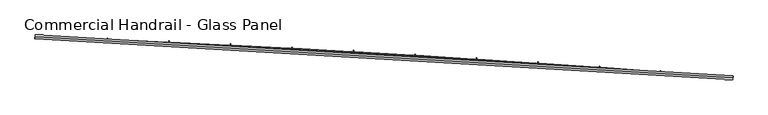
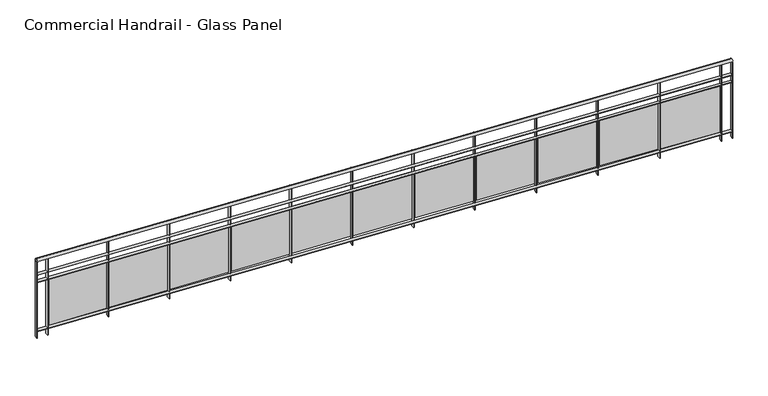
"""IFC4 building model written with IfcOpenShell, lengths in millimetres: railing geometry, Commercial Handrail - Glass Panel."""

from ifc_helpers import new_model, si_unit, point, frame, origin, place, context, project, spatial, polyline, circle_curve, ellipse_curve, trimmed, outline, extrude, source, transform, mapped, element, save
from ifc_brep_helpers import plane_surface, cylinder_surface, revolved_surface, advanced_brep


def commercial_handrail_glass_panel_b6d9658e(model_context):
    return source(origin(), model_context, "Body", "SolidModel", [
        advanced_brep(
        [(118318.4035087, -32849.2717188, 9482.5), (127382.7214131, -33380.8122629, 9482.5), (127382.7214131, -33380.8122629, 9517.5), (118318.4035087, -32849.2717188, 9517.5)],
        [
            (0, 1, circle_curve(frame((108840.1585672, -272033.3263712, 9482.5), z_axis=(0.0, 0.0, -1.0), x_axis=(0.07746344550314502, 0.9969951928724538, 0.0)), 239371.7801395)),
            (1, 2, ellipse_curve(frame((127382.7214131, -33380.8122629, 9500.0), z_axis=(-0.9969951928724544, 0.07746344550313862, 0.0), x_axis=(0.0774634455031386, 0.9969951928724542, 0.0)), 25.0, 17.5)),
            (2, 3, circle_curve(frame((108840.1585672, -272033.3263712, 9517.5), z_axis=(0.0, 0.0, 1.0), x_axis=(0.07746344550314502, 0.9969951928724538, 0.0)), 239371.7801395)),
            (3, 0, ellipse_curve(frame((118318.4035087, -32849.2717188, 9500.0), z_axis=(0.9992157576513465, -0.03959633393694334, 0.0), x_axis=(0.03959633393694333, 0.9992157576513463, 0.0)), 25.0, 17.5)),
            (2, 1, ellipse_curve(frame((127382.7214131, -33380.8122629, 9500.0), z_axis=(-0.9969951928724544, 0.07746344550313862, 0.0), x_axis=(0.0774634455031386, 0.9969951928724542, 0.0)), 25.0, 17.5)),
            (0, 3, ellipse_curve(frame((118318.4035087, -32849.2717188, 9500.0), z_axis=(0.9992157576513465, -0.03959633393694334, 0.0), x_axis=(0.03959633393694333, 0.9992157576513463, 0.0)), 25.0, 17.5)),
        ],
        [
            revolved_surface(trimmed(ellipse_curve(frame((127382.7214131, -33380.8122629, 9500.0), z_axis=(0.9969951928724538, -0.07746344550314502, 0.0), x_axis=(0.0, 0.0, -1.0)), 17.5, 25.0), [point((127382.7214131, -33380.8122629, 9517.5))], [point((127382.7214131, -33380.8122629, 9482.5))], True, "CARTESIAN"), (108840.1585672, -272033.3263712, 9500.0), (0.0, 0.0, 1.0)),
            revolved_surface(trimmed(ellipse_curve(frame((127382.7214131, -33380.8122629, 9500.0), z_axis=(0.9969951928724538, -0.07746344550314502, 0.0), x_axis=(0.0, 0.0, -1.0)), 17.5, 25.0), [point((127382.7214131, -33380.8122629, 9482.5))], [point((127382.7214131, -33380.8122629, 9517.5))], True, "CARTESIAN"), (108840.1585672, -272033.3263712, 9500.0), (0.0, 0.0, 1.0)),
            plane_surface(frame((127382.7214131, -33380.8122629, 9500.0), z_axis=(0.9969951928724538, -0.07746344550314502, 0.0), x_axis=(0.07746344550314502, 0.9969951928724538, 0.0))),
            plane_surface(frame((118318.4035087, -32849.2717188, 9500.0), z_axis=(-0.9992157576513464, 0.03959633393694337, 0.0), x_axis=(0.03959633393694337, 0.9992157576513464, 0.0))),
        ],
        [
            (0, [[1, 2, 3, 4]]),
            (1, [[-3, 5, -1, 6]]),
            (2, [[-2, -5]]),
            (3, [[-6, -4]]),
        ],
    ),
        advanced_brep(
        [(118317.5125912, -32871.7540734, 9300.0), (127380.9784855, -33403.2446547, 9300.0), (127384.4643406, -33358.379871, 9300.0), (118319.2944262, -32826.7893643, 9300.0), (118317.5125912, -32871.7540734, 9294.0), (127380.9784855, -33403.2446547, 9294.0), (118319.2944262, -32826.7893643, 9294.0), (127384.4643406, -33358.379871, 9294.0)],
        [
            (0, 1, circle_curve(frame((108840.1585672, -272033.3263712, 9300.0), z_axis=(0.0, 0.0, -1.0), x_axis=(0.07746344550314502, 0.9969951928724538, 0.0)), 239349.2801395)),
            (1, 2),
            (2, 3, circle_curve(frame((108840.1585672, -272033.3263712, 9300.0), z_axis=(0.0, 0.0, 1.0), x_axis=(0.07746344550314502, 0.9969951928724538, 0.0)), 239394.2801395)),
            (3, 0),
            (4, 5, circle_curve(frame((108840.1585672, -272033.3263712, 9294.0), z_axis=(0.0, 0.0, -1.0), x_axis=(0.07746344550314502, 0.9969951928724538, 0.0)), 239349.2801395)),
            (5, 1),
            (0, 4),
            (6, 7, circle_curve(frame((108840.1585672, -272033.3263712, 9294.0), z_axis=(0.0, 0.0, -1.0), x_axis=(0.07746344550314502, 0.9969951928724538, 0.0)), 239394.2801395)),
            (7, 5),
            (4, 6),
            (2, 7),
            (6, 3),
        ],
        [
            plane_surface(frame((108840.1585672, -272033.3263712, 9300.0), z_axis=(0.0, 0.0, 1.0), x_axis=(0.07746344550314502, 0.9969951928724538, 0.0))),
            revolved_surface(polyline([(127380.97848550315, -33403.24465463619, 9300.0), (127380.97848550315, -33403.24465463619, 9294.0)]), (108840.1585672, -272033.3263712, 9300.0), (0.0, 0.0, 1.0)),
            plane_surface(frame((108840.1585672, -272033.3263712, 9294.0), z_axis=(0.0, 0.0, -1.0), x_axis=(0.07746344550314502, 0.9969951928724538, 0.0))),
            cylinder_surface(frame((108840.1585672, -272033.3263712, 9300.0), z_axis=(0.0, 0.0, 1.0), x_axis=(0.07746344550314502, 0.9969951928724538, 0.0)), 239394.2801395),
            plane_surface(frame((127382.7214131, -33380.8122629, 9300.0), z_axis=(0.9969951928724538, -0.07746344550314502, 0.0), x_axis=(0.07746344550314502, 0.9969951928724538, 0.0))),
            plane_surface(frame((118318.4035087, -32849.2717188, 9300.0), z_axis=(-0.9992157576513464, 0.03959633393694337, 0.0), x_axis=(0.03959633393694337, 0.9992157576513464, 0.0))),
        ],
        [
            (0, [[1, 2, 3, 4]]),
            (1, [[5, 6, -1, 7]]),
            (2, [[8, 9, -5, 10]]),
            (3, [[-3, 11, -8, 12]]),
            (4, [[-2, -6, -9, -11]]),
            (5, [[-12, -10, -7, -4]]),
        ],
    ),
        advanced_brep(
        [(118317.5125912, -32871.7540734, 9200.0), (127380.9784855, -33403.2446547, 9200.0), (127384.4643406, -33358.379871, 9200.0), (118319.2944262, -32826.7893643, 9200.0), (118317.5125912, -32871.7540734, 9194.0), (127380.9784855, -33403.2446547, 9194.0), (118319.2944262, -32826.7893643, 9194.0), (127384.4643406, -33358.379871, 9194.0)],
        [
            (0, 1, circle_curve(frame((108840.1585672, -272033.3263712, 9200.0), z_axis=(0.0, 0.0, -1.0), x_axis=(0.07746344550314502, 0.9969951928724538, 0.0)), 239349.2801395)),
            (1, 2),
            (2, 3, circle_curve(frame((108840.1585672, -272033.3263712, 9200.0), z_axis=(0.0, 0.0, 1.0), x_axis=(0.07746344550314502, 0.9969951928724538, 0.0)), 239394.2801395)),
            (3, 0),
            (4, 5, circle_curve(frame((108840.1585672, -272033.3263712, 9194.0), z_axis=(0.0, 0.0, -1.0), x_axis=(0.07746344550314502, 0.9969951928724538, 0.0)), 239349.2801395)),
            (5, 1),
            (0, 4),
            (6, 7, circle_curve(frame((108840.1585672, -272033.3263712, 9194.0), z_axis=(0.0, 0.0, -1.0), x_axis=(0.07746344550314502, 0.9969951928724538, 0.0)), 239394.2801395)),
            (7, 5),
            (4, 6),
            (2, 7),
            (6, 3),
        ],
        [
            plane_surface(frame((108840.1585672, -272033.3263712, 9200.0), z_axis=(0.0, 0.0, 1.0), x_axis=(0.07746344550314502, 0.9969951928724538, 0.0))),
            revolved_surface(polyline([(127380.97848550315, -33403.24465463619, 9200.0), (127380.97848550315, -33403.24465463619, 9194.0)]), (108840.1585672, -272033.3263712, 9200.0), (0.0, 0.0, 1.0)),
            plane_surface(frame((108840.1585672, -272033.3263712, 9194.0), z_axis=(0.0, 0.0, -1.0), x_axis=(0.07746344550314502, 0.9969951928724538, 0.0))),
            cylinder_surface(frame((108840.1585672, -272033.3263712, 9200.0), z_axis=(0.0, 0.0, 1.0), x_axis=(0.07746344550314502, 0.9969951928724538, 0.0)), 239394.2801395),
            plane_surface(frame((127382.7214131, -33380.8122629, 9200.0), z_axis=(0.9969951928724538, -0.07746344550314502, 0.0), x_axis=(0.07746344550314502, 0.9969951928724538, 0.0))),
            plane_surface(frame((118318.4035087, -32849.2717188, 9200.0), z_axis=(-0.9992157576513464, 0.03959633393694337, 0.0), x_axis=(0.03959633393694337, 0.9992157576513464, 0.0))),
        ],
        [
            (0, [[1, 2, 3, 4]]),
            (1, [[5, 6, -1, 7]]),
            (2, [[8, 9, -5, 10]]),
            (3, [[-3, 11, -8, 12]]),
            (4, [[-2, -6, -9, -11]]),
            (5, [[-12, -10, -7, -4]]),
        ],
    ),
        advanced_brep(
        [(118317.5125912, -32871.7540734, 8500.0), (127380.9784855, -33403.2446547, 8500.0), (127384.4643406, -33358.379871, 8500.0), (118319.2944262, -32826.7893643, 8500.0), (118317.5125912, -32871.7540734, 8494.0), (127380.9784855, -33403.2446547, 8494.0), (118319.2944262, -32826.7893643, 8494.0), (127384.4643406, -33358.379871, 8494.0)],
        [
            (0, 1, circle_curve(frame((108840.1585672, -272033.3263712, 8500.0), z_axis=(0.0, 0.0, -1.0), x_axis=(0.07746344550314502, 0.9969951928724538, 0.0)), 239349.2801395)),
            (1, 2),
            (2, 3, circle_curve(frame((108840.1585672, -272033.3263712, 8500.0), z_axis=(0.0, 0.0, 1.0), x_axis=(0.07746344550314502, 0.9969951928724538, 0.0)), 239394.2801395)),
            (3, 0),
            (4, 5, circle_curve(frame((108840.1585672, -272033.3263712, 8494.0), z_axis=(0.0, 0.0, -1.0), x_axis=(0.07746344550314502, 0.9969951928724538, 0.0)), 239349.2801395)),
            (5, 1),
            (0, 4),
            (6, 7, circle_curve(frame((108840.1585672, -272033.3263712, 8494.0), z_axis=(0.0, 0.0, -1.0), x_axis=(0.07746344550314502, 0.9969951928724538, 0.0)), 239394.2801395)),
            (7, 5),
            (4, 6),
            (2, 7),
            (6, 3),
        ],
        [
            plane_surface(frame((108840.1585672, -272033.3263712, 8500.0), z_axis=(0.0, 0.0, 1.0), x_axis=(0.07746344550314502, 0.9969951928724538, 0.0))),
            revolved_surface(polyline([(127380.97848550315, -33403.24465463619, 8500.0), (127380.97848550315, -33403.24465463619, 8494.0)]), (108840.1585672, -272033.3263712, 8500.0), (0.0, 0.0, 1.0)),
            plane_surface(frame((108840.1585672, -272033.3263712, 8494.0), z_axis=(0.0, 0.0, -1.0), x_axis=(0.07746344550314502, 0.9969951928724538, 0.0))),
            cylinder_surface(frame((108840.1585672, -272033.3263712, 8500.0), z_axis=(0.0, 0.0, 1.0), x_axis=(0.07746344550314502, 0.9969951928724538, 0.0)), 239394.2801395),
            plane_surface(frame((127382.7214131, -33380.8122629, 8500.0), z_axis=(0.9969951928724538, -0.07746344550314502, 0.0), x_axis=(0.07746344550314502, 0.9969951928724538, 0.0))),
            plane_surface(frame((118318.4035087, -32849.2717188, 8500.0), z_axis=(-0.9992157576513464, 0.03959633393694337, 0.0), x_axis=(0.03959633393694337, 0.9992157576513464, 0.0))),
        ],
        [
            (0, [[1, 2, 3, 4]]),
            (1, [[5, 6, -1, 7]]),
            (2, [[8, 9, -5, 10]]),
            (3, [[-3, 11, -8, 12]]),
            (4, [[-2, -6, -9, -11]]),
            (5, [[-12, -10, -7, -4]]),
        ],
    ),
        extrude(outline(polyline([(118462.4105775, -32832.5035492), (118460.6024038, -32877.4672068), (118454.6072494, -32877.226117), (118456.4154232, -32832.2624594), (118462.4105775, -32832.5035492)])), frame((0.0, 0.0, 8400.0), z_axis=(0.0, 0.0, 1.0), x_axis=(1.0, 0.0, 0.0)), (0.0, 0.0, 1.0), 1082.1192282),
        extrude(outline(polyline([(119237.5882112, -32893.169646), (118478.2540839, -32861.3626786), (118478.7562992, -32849.3731924), (119238.0904265, -32881.1801598), (119237.5882112, -32893.169646)])), frame((0.0, 0.0, 8520.0), z_axis=(0.0, 0.0, 1.0), x_axis=(1.0, 0.0, 0.0)), (0.0, 0.0, 1.0), 660.0),
        extrude(outline(polyline([(119261.7839982, -32865.9977164), (119259.8255626, -32910.9550799), (119253.8312475, -32910.6939552), (119255.789683, -32865.7365917), (119261.7839982, -32865.9977164)])), frame((0.0, 0.0, 8400.0), z_axis=(0.0, 0.0, 1.0), x_axis=(1.0, 0.0, 0.0)), (0.0, 0.0, 1.0), 1082.1192282),
        extrude(outline(polyline([(120036.754552, -32929.2541764), (119277.5309667, -32894.9096349), (119278.0732489, -32882.9218941), (120037.2968342, -32917.2664356), (120036.754552, -32929.2541764)])), frame((0.0, 0.0, 8520.0), z_axis=(0.0, 0.0, 1.0), x_axis=(1.0, 0.0, 0.0)), (0.0, 0.0, 1.0), 660.0),
        extrude(outline(polyline([(120061.0410145, -32902.1632628), (120058.932339, -32947.1138299), (120052.93893, -32946.8326732), (120055.0476055, -32901.8821061), (120061.0410145, -32902.1632628)])), frame((0.0, 0.0, 8400.0), z_axis=(0.0, 0.0, 1.0), x_axis=(1.0, 0.0, 0.0)), (0.0, 0.0, 1.0), 1082.1192282),
        extrude(outline(polyline([(120835.7958324, -32968.0093795), (120076.6912693, -32931.1276473), (120077.2736124, -32919.1417858), (120836.3781756, -32956.0235179), (120835.7958324, -32968.0093795)])), frame((0.0, 0.0, 8520.0), z_axis=(0.0, 0.0, 1.0), x_axis=(1.0, 0.0, 0.0)), (0.0, 0.0, 1.0), 660.0),
        extrude(outline(polyline([(120860.1726992, -32940.9997843), (120857.9138072, -32985.943053), (120851.9213714, -32985.6418675), (120854.1802633, -32940.6985987), (120860.1726992, -32940.9997843)])), frame((0.0, 0.0, 8400.0), z_axis=(0.0, 0.0, 1.0), x_axis=(1.0, 0.0, 0.0)), (0.0, 0.0, 1.0), 1082.1192282),
        extrude(outline(polyline([(121634.7031276, -33009.4348222), (120875.7260654, -32970.0163114), (120876.3484629, -32958.032463), (121635.3255252, -32997.4509738), (121634.7031276, -33009.4348222)])), frame((0.0, 0.0, 8520.0), z_axis=(0.0, 0.0, 1.0), x_axis=(1.0, 0.0, 0.0)), (0.0, 0.0, 1.0), 660.0),
        extrude(outline(polyline([(121659.1701263, -32982.5068471), (121656.7610432, -33027.4423155), (121650.7696474, -33027.1211044), (121653.1787305, -32982.1856361), (121659.1701263, -32982.5068471)])), frame((0.0, 0.0, 8400.0), z_axis=(0.0, 0.0, 1.0), x_axis=(1.0, 0.0, 0.0)), (0.0, 0.0, 1.0), 1082.1192282),
        extrude(outline(polyline([(122433.4675142, -33053.5300418), (121674.6264303, -33011.5751927), (121675.2888752, -32999.5934914), (122434.1299592, -33041.5483405), (122433.4675142, -33053.5300418)])), frame((0.0, 0.0, 8520.0), z_axis=(0.0, 0.0, 1.0), x_axis=(1.0, 0.0, 0.0)), (0.0, 0.0, 1.0), 660.0),
        extrude(outline(polyline([(122458.0243716, -33026.6839877), (122455.4651242, -33071.6111538), (122449.4748354, -33071.2699209), (122452.0340827, -33026.3427548), (122458.0243716, -33026.6839877)])), frame((0.0, 0.0, 8400.0), z_axis=(0.0, 0.0, 1.0), x_axis=(1.0, 0.0, 0.0)), (0.0, 0.0, 1.0), 1082.1192282),
        extrude(outline(polyline([(123232.0800703, -33100.2945459), (122473.3834406, -33055.8038271), (122474.0859256, -33043.8244066), (123232.7825553, -33088.3151255), (123232.0800703, -33100.2945459)])), frame((0.0, 0.0, 8520.0), z_axis=(0.0, 0.0, 1.0), x_axis=(1.0, 0.0, 0.0)), (0.0, 0.0, 1.0), 660.0),
        extrude(outline(polyline([(123256.726512, -33073.5307127), (123254.017129, -33118.4490746), (123248.0280141, -33118.0878236), (123250.7373971, -33073.1694616), (123256.726512, -33073.5307127)])), frame((0.0, 0.0, 8400.0), z_axis=(0.0, 0.0, 1.0), x_axis=(1.0, 0.0, 0.0)), (0.0, 0.0, 1.0), 1082.1192282),
        extrude(outline(polyline([(124030.5318758, -33149.7278122), (123271.9881746, -33102.7017206), (123272.7306918, -33090.7247148), (124031.2743931, -33137.7508064), (124030.5318758, -33149.7278122)])), frame((0.0, 0.0, 8520.0), z_axis=(0.0, 0.0, 1.0), x_axis=(1.0, 0.0, 0.0)), (0.0, 0.0, 1.0), 660.0),
        extrude(outline(polyline([(124055.2676267, -33123.0464986), (124052.4081383, -33167.9555548), (124046.4202641, -33167.5742897), (124049.2797526, -33122.6652335), (124055.2676267, -33123.0464986)])), frame((0.0, 0.0, 8400.0), z_axis=(0.0, 0.0, 1.0), x_axis=(1.0, 0.0, 0.0)), (0.0, 0.0, 1.0), 1082.1192282),
        extrude(outline(polyline([(124828.8140126, -33201.8292884), (124070.4317123, -33152.2683493), (124071.2142535, -33140.2938919), (124829.5965537, -33189.854831), (124828.8140126, -33201.8292884)])), frame((0.0, 0.0, 8520.0), z_axis=(0.0, 0.0, 1.0), x_axis=(1.0, 0.0, 0.0)), (0.0, 0.0, 1.0), 660.0),
        extrude(outline(polyline([(124853.6387962, -33175.2307926), (124850.6292343, -33220.1300413), (124844.6426678, -33219.7287664), (124847.6522297, -33174.8295177), (124853.6387962, -33175.2307926)])), frame((0.0, 0.0, 8400.0), z_axis=(0.0, 0.0, 1.0), x_axis=(1.0, 0.0, 0.0)), (0.0, 0.0, 1.0), 1082.1192282),
        extrude(outline(polyline([(125626.917564, -33256.5983926), (124868.7051355, -33204.5031595), (124869.5276919, -33192.5313844), (125627.7401203, -33244.6266175), (125626.917564, -33256.5983926)])), frame((0.0, 0.0, 8520.0), z_axis=(0.0, 0.0, 1.0), x_axis=(1.0, 0.0, 0.0)), (0.0, 0.0, 1.0), 660.0),
        extrude(outline(polyline([(125651.8311032, -33230.0830117), (125648.6715014, -33274.9719515), (125642.6863095, -33274.5506713), (125645.8459113, -33229.6617315), (125651.8311032, -33230.0830117)])), frame((0.0, 0.0, 8400.0), z_axis=(0.0, 0.0, 1.0), x_axis=(1.0, 0.0, 0.0)), (0.0, 0.0, 1.0), 1082.1192282),
        extrude(outline(polyline([(126424.8336158, -33314.0345132), (125666.7995279, -33259.405568), (125667.6620902, -33247.4366087), (126425.6961781, -33302.0655539), (126424.8336158, -33314.0345132)])), frame((0.0, 0.0, 8520.0), z_axis=(0.0, 0.0, 1.0), x_axis=(1.0, 0.0, 0.0)), (0.0, 0.0, 1.0), 660.0),
        extrude(outline(polyline([(126449.8356323, -33287.6025432), (126446.5260259, -33332.4806727), (126440.5422753, -33332.0393919), (126443.8518817, -33287.1612624), (126449.8356323, -33287.6025432)])), frame((0.0, 0.0, 8400.0), z_axis=(0.0, 0.0, 1.0), x_axis=(1.0, 0.0, 0.0)), (0.0, 0.0, 1.0), 1082.1192282),
        extrude(outline(polyline([(127222.5532556, -33374.1370085), (126464.7059752, -33316.9749614), (126465.6085338, -33305.0089517), (127223.4558142, -33362.1709988), (127222.5532556, -33374.1370085)])), frame((0.0, 0.0, 8520.0), z_axis=(0.0, 0.0, 1.0), x_axis=(1.0, 0.0, 0.0)), (0.0, 0.0, 1.0), 660.0),
        extrude(outline(polyline([(127247.64347, -33347.7887447), (127244.1838961, -33392.6555626), (127238.2016537, -33392.1942861), (127241.6612277, -33347.3274682), (127247.64347, -33347.7887447)])), frame((0.0, 0.0, 8400.0), z_axis=(0.0, 0.0, 1.0), x_axis=(1.0, 0.0, 0.0)), (0.0, 0.0, 1.0), 1082.1192282),
        extrude(outline(polyline([(118322.2920735, -32826.9081533), (118320.5102385, -32871.8728624), (118314.5149439, -32871.6352844), (118316.296779, -32826.6705753), (118322.2920735, -32826.9081533)])), frame((0.0, 0.0, 8400.0), z_axis=(0.0, 0.0, 1.0), x_axis=(1.0, 0.0, 0.0)), (0.0, 0.0, 1.0), 1082.1192282),
        extrude(outline(polyline([(127387.4553262, -33358.6122614), (127383.9694711, -33403.477045), (127377.9875, -33403.0122644), (127381.473355, -33358.1474807), (127387.4553262, -33358.6122614)])), frame((0.0, 0.0, 8400.0), z_axis=(0.0, 0.0, 1.0), x_axis=(1.0, 0.0, 0.0)), (0.0, 0.0, 1.0), 1082.1192282),
    ])


if __name__ == "__main__":
    model = new_model("IFC4")
    model_context = context("Model", 3, world=origin())
    ifc_project = project(units=[si_unit("LENGTHUNIT", "METRE", prefix="MILLI")], contexts=[model_context])
    site = spatial("IfcSite", under=ifc_project)
    building = spatial("IfcBuilding", under=site)
    placement = place(None, origin())
    commercial_handrail_glass_panel_shape = commercial_handrail_glass_panel_b6d9658e(model_context)
    element("IfcRailing", 1, ObjectType="Commercial Handrail - Glass Panel", at=placement, inside=building, context=model_context, shape_type="MappedRepresentation", body=[
        mapped(commercial_handrail_glass_panel_shape, transform((0.0, 0.0, 0.0), x_axis=(1.0, 0.0, 0.0), y_axis=(0.0, 1.0, 0.0), z_axis=(0.0, 0.0, 1.0))),
    ])
    save(model, "model.ifc")
